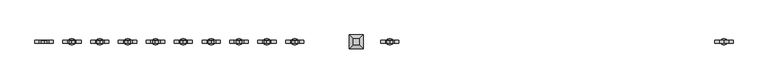
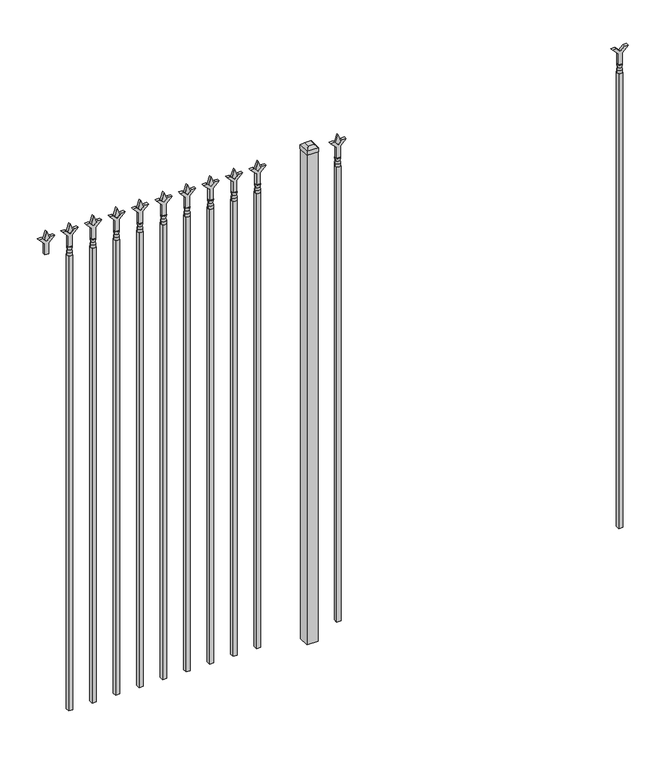
"""IFC4 building model written with IfcOpenShell, lengths in millimetres: railing geometry."""

import ifcopenshell
import ifcopenshell.guid

model = None  # the IFC model being written
_history = None  # IfcOwnerHistory: only IFC2X3 demands one
_inside = {}  # id of a spatial element -> (the spatial element, [elements in it])
_under = {}  # id of a project, library or spatial element -> (it, [spatial elements below it])
_declared = {}  # id of a project -> (the project, [libraries it declares])
_typed = {}  # id of a type object -> (the type object, [elements of that type])
_made_of = {}  # id of a material, layer set ... -> (it, [elements and type objects made of it])


def new_model(schema):
    """Start an empty IFC model of exactly this schema.

    Asked for "IFC4X3", IfcOpenShell would pick the latest addendum, in which some entities
    have other attributes; the version numbers below select the first issue.
    IFC2X3 requires an IfcOwnerHistory on every rooted entity: one is made here for all.
    """
    global model, _history
    if schema == "IFC4X3":
        model = ifcopenshell.file(schema_version=(4, 3, 0, 0))
    else:
        model = ifcopenshell.file(schema=schema)
    _inside.clear()
    _under.clear()
    _declared.clear()
    _typed.clear()
    _made_of.clear()
    _history = None
    if model.schema == "IFC2X3":
        org = make("IfcOrganization", Name="unknown")
        user = make(
            "IfcPersonAndOrganization",
            ThePerson=make("IfcPerson", FamilyName="unknown"),
            TheOrganization=org,
        )
        app = make(
            "IfcApplication",
            ApplicationDeveloper=org,
            Version="unknown",
            ApplicationFullName="unknown",
            ApplicationIdentifier="unknown",
        )
        _history = make(
            "IfcOwnerHistory",
            OwningUser=user,
            OwningApplication=app,
            ChangeAction="ADDED",
            CreationDate=0,
        )
    return model


def make(cls, **values):
    """One entity of the class cls with the attributes given. An attribute that is None is left unset."""
    return model.create_entity(
        cls, **{name: value for name, value in values.items() if value is not None}
    )


def rooted(cls, **values):
    """An entity with a GlobalId (a new one), such as an element, a storey or a relation."""
    return make(cls, GlobalId=ifcopenshell.guid.new(), OwnerHistory=_history, **values)


def si_unit(unit_type, name, prefix=None):
    """IfcSIUnit, for example si_unit("LENGTHUNIT", "METRE", prefix="MILLI")."""
    return make("IfcSIUnit", UnitType=unit_type, Prefix=prefix, Name=name)


def assignment(units):
    """IfcUnitAssignment: the units of a project."""
    return None if units is None else make("IfcUnitAssignment", Units=units)


def point(xyz):
    """IfcCartesianPoint."""
    return None if xyz is None else make("IfcCartesianPoint", Coordinates=xyz)


def direction(xyz):
    """IfcDirection."""
    return None if xyz is None else make("IfcDirection", DirectionRatios=xyz)


def frame(location, z_axis=None, x_axis=None):
    """IfcAxis2Placement3D, a coordinate frame: its origin and axes. An axis left out is left unset."""
    return make(
        "IfcAxis2Placement3D",
        Location=point(location),
        Axis=direction(z_axis),
        RefDirection=direction(x_axis),
    )


def origin():
    """The frame at (0, 0, 0) with its axes left unset."""
    return frame((0.0, 0.0, 0.0))


def origin_with_axes():
    """The frame at (0, 0, 0) with the z axis (0, 0, 1) and the x axis (1, 0, 0) written out."""
    return frame((0.0, 0.0, 0.0), z_axis=(0.0, 0.0, 1.0), x_axis=(1.0, 0.0, 0.0))


def place(relative_to, where):
    """IfcLocalPlacement: puts the frame where relative to a parent placement (None: the world)."""
    return make(
        "IfcLocalPlacement", PlacementRelTo=relative_to, RelativePlacement=where
    )


def context(
    kind, dimensions, precision=None, world=None, true_north=None, identifier=None
):
    """IfcGeometricRepresentationContext, for example the 3D "Model" context."""
    return make(
        "IfcGeometricRepresentationContext",
        ContextIdentifier=identifier,
        ContextType=kind,
        CoordinateSpaceDimension=dimensions,
        Precision=precision,
        WorldCoordinateSystem=world,
        TrueNorth=true_north,
    )


def project(units=None, contexts=None):
    """IfcProject with its units and contexts."""
    return rooted(
        "IfcProject",
        Name="project",
        RepresentationContexts=contexts,
        UnitsInContext=assignment(units),
    )


def spatial(cls, under=None, at=None, **own):
    """A site, building, storey or space (cls), placed at a placement, below another one or the project."""
    s = rooted(cls, ObjectPlacement=at, **own)
    if under is not None:
        _under.setdefault(under.id(), (under, []))[1].append(s)
    return s


def polyline(points):
    """IfcPolyline through the points."""
    return make("IfcPolyline", Points=[point(p) for p in points])


def circle_curve(where, radius):
    """IfcCircle in the frame where."""
    return make("IfcCircle", Position=where, Radius=radius)


def outline(outer, holes=None, kind="AREA"):
    """IfcArbitraryClosedProfileDef: a profile drawn as a closed curve; with holes, ...WithVoids."""
    if holes is None:
        return make("IfcArbitraryClosedProfileDef", ProfileType=kind, OuterCurve=outer)
    return make(
        "IfcArbitraryProfileDefWithVoids",
        ProfileType=kind,
        OuterCurve=outer,
        InnerCurves=holes,
    )


def extrude(swept, where, along, depth):
    """IfcExtrudedAreaSolid: the profile swept, set in the frame where, extruded along a direction by depth."""
    return make(
        "IfcExtrudedAreaSolid",
        SweptArea=swept,
        Position=where,
        ExtrudedDirection=direction(along),
        Depth=depth,
    )


def faces_of(points, faces, orient=None, outer=None):
    """IfcFace entities. A face is a list of loops; a loop is a list of indices into points, from 0.

    orient and outer hold one flag for each loop. By default every Orientation is true, the
    first loop of a face is its IfcFaceOuterBound and the others are IfcFaceBound.
    """
    made = []
    for i, loops in enumerate(faces):
        bounds = []
        for j, loop in enumerate(loops):
            is_outer = j == 0 if outer is None else outer[i][j]
            bounds.append(
                make(
                    "IfcFaceOuterBound" if is_outer else "IfcFaceBound",
                    Bound=make("IfcPolyLoop", Polygon=[points[k] for k in loop]),
                    Orientation=True if orient is None else orient[i][j],
                )
            )
        made.append(make("IfcFace", Bounds=bounds))
    return made


def faceted_brep(points, faces, orient=None, outer=None, voids=None):
    """IfcFacetedBrep: a solid bounded by flat faces; with voids (closed shells), ...WithVoids."""
    shared = [point(p) for p in points]
    hull = make("IfcClosedShell", CfsFaces=faces_of(shared, faces, orient, outer))
    if voids is None:
        return make("IfcFacetedBrep", Outer=hull)
    return make(
        "IfcFacetedBrepWithVoids",
        Outer=hull,
        Voids=[
            make(cls, CfsFaces=faces_of(shared, fs, o, b)) for cls, fs, o, b in voids
        ],
    )


def shape(context_of_items, identifier, shape_type, items):
    """IfcShapeRepresentation: the items that make up one representation, for example the "Body"."""
    return make(
        "IfcShapeRepresentation",
        ContextOfItems=context_of_items,
        RepresentationIdentifier=identifier,
        RepresentationType=shape_type,
        Items=items,
    )


def source(mapping_origin, context_of_items, identifier, shape_type, items):
    """IfcRepresentationMap: a shape defined once, which mapped items show again and again."""
    return make(
        "IfcRepresentationMap",
        MappingOrigin=mapping_origin,
        MappedRepresentation=shape(context_of_items, identifier, shape_type, items),
    )


def transform(
    local_origin,
    x_axis=None,
    y_axis=None,
    z_axis=None,
    scale=None,
    scale2=None,
    scale3=None,
    uniform=True,
):
    """IfcCartesianTransformationOperator3D, or its non-uniform kind. x_axis, y_axis, z_axis: its Axis1, 2, 3."""
    if uniform:
        return make(
            "IfcCartesianTransformationOperator3D",
            Axis1=direction(x_axis),
            Axis2=direction(y_axis),
            LocalOrigin=point(local_origin),
            Scale=scale,
            Axis3=direction(z_axis),
        )
    return make(
        "IfcCartesianTransformationOperator3DnonUniform",
        Axis1=direction(x_axis),
        Axis2=direction(y_axis),
        LocalOrigin=point(local_origin),
        Scale=scale,
        Axis3=direction(z_axis),
        Scale2=scale2,
        Scale3=scale3,
    )


def mapped(mapping_source, mapping_target):
    """IfcMappedItem: shows the shape of a source again, moved by a transform."""
    return make(
        "IfcMappedItem", MappingSource=mapping_source, MappingTarget=mapping_target
    )


def made_of(thing, what):
    """Note that an element or type object is made of a material, layer set ...; save() writes the relation."""
    if what is not None:
        _made_of.setdefault(what.id(), (what, []))[1].append(thing)
    return thing


def element(
    cls,
    number,
    at=None,
    inside=None,
    cuts=None,
    type_object=None,
    material=None,
    context=None,
    identifier="Body",
    shape_type=None,
    held_by="IfcProductDefinitionShape",
    body=None,
    shapes=None,
    **own,
):
    """One element of the class cls, such as IfcWall. Its Tag is "e" and its number.

    at: its placement. inside: the storey or other place that contains it. cuts: it is an
    opening in that element (IfcRelVoidsElement). A single representation is given by context,
    identifier, shape_type and body (its items); several are given by shapes. held_by: the class
    of the entity that holds the representations. save() writes the other relations.
    """
    e = rooted(cls, Tag="e%d" % number, ObjectPlacement=at, **own)
    if body is not None:
        shapes = [shape(context, identifier, shape_type, body)]
    if shapes is not None:
        e.Representation = make(held_by, Representations=shapes)
    if inside is not None:
        _inside.setdefault(inside.id(), (inside, []))[1].append(e)
    if cuts is not None:
        rooted(
            "IfcRelVoidsElement", RelatingBuildingElement=cuts, RelatedOpeningElement=e
        )
    if type_object is not None:
        _typed.setdefault(type_object.id(), (type_object, []))[1].append(e)
    return made_of(e, material)


def aggregate(whole, parts):
    """IfcRelAggregates: a whole, such as a stair, and the parts it consists of."""
    return rooted("IfcRelAggregates", RelatingObject=whole, RelatedObjects=parts)


def save(model, path):
    """Write the relations noted so far, then the file.

    IfcRelAggregates (storeys below a building ...), IfcRelContainedInSpatialStructure (elements
    in a storey), IfcRelDefinesByType, IfcRelAssociatesMaterial and IfcRelDeclares: one each for
    every whole, place, type object, material and project.
    """
    for whole, parts in _under.values():
        aggregate(whole, parts)
    for where, things in _inside.values():
        rooted(
            "IfcRelContainedInSpatialStructure",
            RelatedElements=things,
            RelatingStructure=where,
        )
    for kind, things in _typed.values():
        rooted("IfcRelDefinesByType", RelatedObjects=things, RelatingType=kind)
    for what, things in _made_of.values():
        rooted("IfcRelAssociatesMaterial", RelatedObjects=things, RelatingMaterial=what)
    for by, libraries in _declared.values():
        rooted("IfcRelDeclares", RelatingContext=by, RelatedDefinitions=libraries)
    model.write(path)


def plane_surface(at):
    """IfcPlane: the flat surface through the origin of the frame at, square to its z axis."""
    return make("IfcPlane", Position=at)


def cylinder_surface(at, radius):
    """IfcCylindricalSurface: all points at the distance radius from the z axis of the frame at."""
    return make("IfcCylindricalSurface", Position=at, Radius=radius)


def revolved_surface(curve, axis_point, axis_direction):
    """IfcSurfaceOfRevolution: the curve turned about the line through axis_point along axis_direction."""
    return make(
        "IfcSurfaceOfRevolution",
        SweptCurve=make("IfcArbitraryOpenProfileDef", ProfileType="CURVE", Curve=curve),
        AxisPosition=make("IfcAxis1Placement", Location=point(axis_point), Axis=direction(axis_direction)),
    )


def advanced_brep(points, edges, surfaces, faces):
    """IfcAdvancedBrep: a solid bounded by faces that lie on surfaces and meet in shared edges.

    An edge is (start, end): straight between two places in points (the first is 0);
    or (start, end, curve); or (start, end, curve, False) where it runs against its curve.
    A face is (place in surfaces, loops), or (place, loops, False) where it looks against
    its surface's normal. A loop lists edges by number (the first is 1), with a minus sign
    where the edge is run from its end to its start. The first loop is the outer one.
    """
    corners = [point(p) for p in points]
    vertices = [make("IfcVertexPoint", VertexGeometry=c) for c in corners]
    made = []
    for start, end, *more in edges:
        made.append(
            make(
                "IfcEdgeCurve",
                EdgeStart=vertices[start],
                EdgeEnd=vertices[end],
                EdgeGeometry=more[0] if more else make("IfcPolyline", Points=[corners[start], corners[end]]),
                SameSense=more[1] if len(more) > 1 else True,
            )
        )
    hull = []
    for where, loops, *sense in faces:
        bounds = []
        for j, loop in enumerate(loops):
            ring = [make("IfcOrientedEdge", EdgeElement=made[abs(k) - 1], Orientation=k > 0) for k in loop]
            bounds.append(
                make(
                    "IfcFaceOuterBound" if j == 0 else "IfcFaceBound",
                    Bound=make("IfcEdgeLoop", EdgeList=ring),
                    Orientation=True,
                )
            )
        hull.append(make("IfcAdvancedFace", Bounds=bounds, FaceSurface=surfaces[where], SameSense=sense[0] if sense else True))
    return make("IfcAdvancedBrep", Outer=make("IfcClosedShell", CfsFaces=hull))


def railing_f4282bec(model_context):
    return source(origin(), model_context, "Body", "SolidModel", [
        extrude(outline(polyline([(2327.275, -52222.749337), (2381.5457378, -52222.749337), (2408.7355122, -52195.5595625), (2408.7355122, -52213.5200747), (2390.775, -52231.480587), (2408.7355122, -52249.4410992), (2408.7355122, -52267.4016114), (2381.5457378, -52240.211837), (2327.275, -52240.211837), (2327.275, -52222.749337)])), frame((0.0, -6737.6070174, 0.0), z_axis=(0.0, 1.0, 0.0), x_axis=(0.0, 0.0, 1.0)), (0.0, 0.0, 1.0), 12.7),
        advanced_brep(
        [(-52219.574337, -6731.2570174, 2298.7), (-52243.386837, -6731.2570174, 2298.7), (-52243.386837, -6731.2570174, 2286.0), (-52219.574337, -6731.2570174, 2286.0), (-52221.7796688, -6731.2570174, 2311.2070585), (-52241.1815051, -6731.2570174, 2311.2070585), (-52219.574337, -6731.2570174, 2327.275), (-52243.386837, -6731.2570174, 2327.275), (-52231.480587, -6731.2570174, 2327.275), (-52231.480587, -6731.2570174, 2286.0)],
        [
            (0, 1, circle_curve(frame((-52231.480587, -6731.2570174, 2298.7), z_axis=(0.0, 0.0, -1.0), x_axis=(-1.0, 0.0, 0.0)), 11.90625)),
            (1, 2),
            (2, 3, circle_curve(frame((-52231.480587, -6731.2570174, 2286.0), z_axis=(0.0, 0.0, 1.0), x_axis=(-1.0, 0.0, 0.0)), 11.90625)),
            (3, 0),
            (1, 0, circle_curve(frame((-52231.480587, -6731.2570174, 2298.7), z_axis=(0.0, 0.0, -1.0), x_axis=(-1.0, 0.0, 0.0)), 11.90625)),
            (3, 2, circle_curve(frame((-52231.480587, -6731.2570174, 2286.0), z_axis=(0.0, 0.0, 1.0), x_axis=(-1.0, 0.0, 0.0)), 11.90625)),
            (4, 5, circle_curve(frame((-52231.480587, -6731.2570174, 2311.2070585), z_axis=(0.0, 0.0, -1.0), x_axis=(-1.0, 0.0, 0.0)), 9.7009181)),
            (5, 1),
            (0, 4),
            (5, 4, circle_curve(frame((-52231.480587, -6731.2570174, 2311.2070585), z_axis=(0.0, 0.0, -1.0), x_axis=(-1.0, 0.0, 0.0)), 9.7009181)),
            (6, 7, circle_curve(frame((-52231.480587, -6731.2570174, 2327.275), z_axis=(0.0, 0.0, -1.0), x_axis=(-1.0, 0.0, 0.0)), 11.90625)),
            (7, 5),
            (4, 6),
            (7, 6, circle_curve(frame((-52231.480587, -6731.2570174, 2327.275), z_axis=(0.0, 0.0, -1.0), x_axis=(-1.0, 0.0, 0.0)), 11.90625)),
            (8, 7),
            (6, 8),
            (2, 9),
            (9, 3),
        ],
        [
            cylinder_surface(frame((-52231.480587, -6731.2570174, 2286.0), z_axis=(0.0, 0.0, 1.0), x_axis=(-1.0, 0.0, 0.0)), 11.90625),
            revolved_surface(polyline([(-52243.386837, -6731.2570174, 2298.7), (-52241.1815051, -6731.2570174, 2311.2070585)]), (-52231.480587, -6731.2570174, 2286.0), (0.0, 0.0, 1.0)),
            revolved_surface(polyline([(-52241.1815051, -6731.2570174, 2311.2070585), (-52243.386837, -6731.2570174, 2327.275)]), (-52231.480587, -6731.2570174, 2286.0), (0.0, 0.0, 1.0)),
            plane_surface(frame((-52231.480587, -6731.2570174, 2327.275), z_axis=(0.0, 0.0, 1.0), x_axis=(-1.0, 0.0, 0.0))),
            plane_surface(frame((-52231.480587, -6731.2570174, 2286.0), z_axis=(0.0, 0.0, -1.0), x_axis=(-1.0, 0.0, 0.0))),
        ],
        [
            (0, [[1, 2, 3, 4]]),
            (0, [[5, -4, 6, -2]]),
            (1, [[7, 8, -1, 9]]),
            (1, [[10, -9, -5, -8]]),
            (2, [[11, 12, -7, 13]]),
            (2, [[14, -13, -10, -12]]),
            (3, [[15, -11, 16]]),
            (3, [[-16, -14, -15]]),
            (4, [[-3, 17, 18]]),
            (4, [[-6, -18, -17]]),
        ],
    ),
        extrude(outline(polyline([(-52241.005587, -6721.7320174), (-52221.955587, -6721.7320174), (-52221.955587, -6740.7820174), (-52241.005587, -6740.7820174), (-52241.005587, -6721.7320174)])), frame((0.0, 0.0, 50.8), z_axis=(0.0, 0.0, 1.0), x_axis=(1.0, 0.0, 0.0)), (0.0, 0.0, 1.0), 2235.2),
        extrude(outline(polyline([(2402.68125, -53530.849337), (2438.4, -53542.755587), (2402.68125, -53554.661837), (2390.775, -53542.755587), (2402.68125, -53530.849337)])), frame((0.0, -6736.0195174, 0.0), z_axis=(0.0, 1.0, 0.0), x_axis=(0.0, 0.0, 1.0)), (0.0, 0.0, 1.0), 9.525),
        extrude(outline(polyline([(2327.275, -53534.024337), (2381.5457378, -53534.024337), (2408.7355122, -53506.8345625), (2408.7355122, -53524.7950747), (2390.775, -53542.755587), (2408.7355122, -53560.7160992), (2408.7355122, -53578.6766114), (2381.5457378, -53551.486837), (2327.275, -53551.486837), (2327.275, -53534.024337)])), frame((0.0, -6737.6070174, 0.0), z_axis=(0.0, 1.0, 0.0), x_axis=(0.0, 0.0, 1.0)), (0.0, 0.0, 1.0), 12.7),
        advanced_brep(
        [(-53530.849337, -6731.2570174, 2298.7), (-53554.661837, -6731.2570174, 2298.7), (-53554.661837, -6731.2570174, 2286.0), (-53530.849337, -6731.2570174, 2286.0), (-53533.0546688, -6731.2570174, 2311.2070585), (-53552.4565051, -6731.2570174, 2311.2070585), (-53530.849337, -6731.2570174, 2327.275), (-53554.661837, -6731.2570174, 2327.275), (-53542.755587, -6731.2570174, 2327.275), (-53542.755587, -6731.2570174, 2286.0)],
        [
            (0, 1, circle_curve(frame((-53542.755587, -6731.2570174, 2298.7), z_axis=(0.0, 0.0, -1.0), x_axis=(-1.0, 0.0, 0.0)), 11.90625)),
            (1, 2),
            (2, 3, circle_curve(frame((-53542.755587, -6731.2570174, 2286.0), z_axis=(0.0, 0.0, 1.0), x_axis=(-1.0, 0.0, 0.0)), 11.90625)),
            (3, 0),
            (1, 0, circle_curve(frame((-53542.755587, -6731.2570174, 2298.7), z_axis=(0.0, 0.0, -1.0), x_axis=(-1.0, 0.0, 0.0)), 11.90625)),
            (3, 2, circle_curve(frame((-53542.755587, -6731.2570174, 2286.0), z_axis=(0.0, 0.0, 1.0), x_axis=(-1.0, 0.0, 0.0)), 11.90625)),
            (4, 5, circle_curve(frame((-53542.755587, -6731.2570174, 2311.2070585), z_axis=(0.0, 0.0, -1.0), x_axis=(-1.0, 0.0, 0.0)), 9.7009181)),
            (5, 1),
            (0, 4),
            (5, 4, circle_curve(frame((-53542.755587, -6731.2570174, 2311.2070585), z_axis=(0.0, 0.0, -1.0), x_axis=(-1.0, 0.0, 0.0)), 9.7009181)),
            (6, 7, circle_curve(frame((-53542.755587, -6731.2570174, 2327.275), z_axis=(0.0, 0.0, -1.0), x_axis=(-1.0, 0.0, 0.0)), 11.90625)),
            (7, 5),
            (4, 6),
            (7, 6, circle_curve(frame((-53542.755587, -6731.2570174, 2327.275), z_axis=(0.0, 0.0, -1.0), x_axis=(-1.0, 0.0, 0.0)), 11.90625)),
            (8, 7),
            (6, 8),
            (2, 9),
            (9, 3),
        ],
        [
            cylinder_surface(frame((-53542.755587, -6731.2570174, 2286.0), z_axis=(0.0, 0.0, 1.0), x_axis=(-1.0, 0.0, 0.0)), 11.90625),
            revolved_surface(polyline([(-53554.661837, -6731.2570174, 2298.7), (-53552.4565051, -6731.2570174, 2311.2070585)]), (-53542.755587, -6731.2570174, 2286.0), (0.0, 0.0, 1.0)),
            revolved_surface(polyline([(-53552.4565051, -6731.2570174, 2311.2070585), (-53554.661837, -6731.2570174, 2327.275)]), (-53542.755587, -6731.2570174, 2286.0), (0.0, 0.0, 1.0)),
            plane_surface(frame((-53542.755587, -6731.2570174, 2327.275), z_axis=(0.0, 0.0, 1.0), x_axis=(-1.0, 0.0, 0.0))),
            plane_surface(frame((-53542.755587, -6731.2570174, 2286.0), z_axis=(0.0, 0.0, -1.0), x_axis=(-1.0, 0.0, 0.0))),
        ],
        [
            (0, [[1, 2, 3, 4]]),
            (0, [[5, -4, 6, -2]]),
            (1, [[7, 8, -1, 9]]),
            (1, [[10, -9, -5, -8]]),
            (2, [[11, 12, -7, 13]]),
            (2, [[14, -13, -10, -12]]),
            (3, [[15, -11, 16]]),
            (3, [[-16, -14, -15]]),
            (4, [[-3, 17, 18]]),
            (4, [[-6, -18, -17]]),
        ],
    ),
        extrude(outline(polyline([(-53552.280587, -6721.7320174), (-53533.230587, -6721.7320174), (-53533.230587, -6740.7820174), (-53552.280587, -6740.7820174), (-53552.280587, -6721.7320174)])), frame((0.0, 0.0, 50.8), z_axis=(0.0, 0.0, 1.0), x_axis=(1.0, 0.0, 0.0)), (0.0, 0.0, 1.0), 2235.2),
        extrude(outline(polyline([(-53649.118087, -6705.8570174), (-53649.118087, -6756.6570174), (-53699.918087, -6756.6570174), (-53699.918087, -6705.8570174), (-53649.118087, -6705.8570174)])), origin_with_axes(), (0.0, 0.0, 1.0), 2406.65),
        faceted_brep([(-53701.505587, -6704.2695174, 2425.7), (-53701.505587, -6704.2695174, 2406.65), (-53701.505587, -6758.2445174, 2406.65), (-53701.505587, -6758.2445174, 2425.7), (-53688.805587, -6716.9695174, 2438.4), (-53688.805587, -6745.5445174, 2438.4), (-53647.530587, -6758.2445174, 2406.65), (-53647.530587, -6758.2445174, 2425.7), (-53660.230587, -6745.5445174, 2438.4), (-53647.530587, -6704.2695174, 2406.65), (-53647.530587, -6704.2695174, 2425.7), (-53660.230587, -6716.9695174, 2438.4)], [[[0, 1, 2, 3]], [[4, 0, 3, 5]], [[3, 2, 6, 7]], [[5, 3, 7, 8]], [[7, 6, 9, 10]], [[8, 7, 10, 11]], [[10, 9, 1, 0]], [[11, 10, 0, 4]], [[5, 8, 11, 4]], [[1, 9, 6, 2]]]),
        extrude(outline(polyline([(2402.68125, -53903.6472536), (2438.4, -53915.5535036), (2402.68125, -53927.4597536), (2390.775, -53915.5535036), (2402.68125, -53903.6472536)])), frame((0.0, -6736.0195174, 0.0), z_axis=(0.0, 1.0, 0.0), x_axis=(0.0, 0.0, 1.0)), (0.0, 0.0, 1.0), 9.525),
        extrude(outline(polyline([(2327.275, -53906.8222536), (2381.5457378, -53906.8222536), (2408.7355122, -53879.6324791), (2408.7355122, -53897.5929914), (2390.775, -53915.5535036), (2408.7355122, -53933.5140159), (2408.7355122, -53951.4745281), (2381.5457378, -53924.2847536), (2327.275, -53924.2847536), (2327.275, -53906.8222536)])), frame((0.0, -6737.6070174, 0.0), z_axis=(0.0, 1.0, 0.0), x_axis=(0.0, 0.0, 1.0)), (0.0, 0.0, 1.0), 12.7),
        advanced_brep(
        [(-53903.6472536, -6731.2570174, 2298.7), (-53927.4597536, -6731.2570174, 2298.7), (-53927.4597536, -6731.2570174, 2286.0), (-53903.6472536, -6731.2570174, 2286.0), (-53905.8525855, -6731.2570174, 2311.2070585), (-53925.2544218, -6731.2570174, 2311.2070585), (-53903.6472536, -6731.2570174, 2327.275), (-53927.4597536, -6731.2570174, 2327.275), (-53915.5535036, -6731.2570174, 2327.275), (-53915.5535036, -6731.2570174, 2286.0)],
        [
            (0, 1, circle_curve(frame((-53915.5535036, -6731.2570174, 2298.7), z_axis=(0.0, 0.0, -1.0), x_axis=(-1.0, 0.0, 0.0)), 11.90625)),
            (1, 2),
            (2, 3, circle_curve(frame((-53915.5535036, -6731.2570174, 2286.0), z_axis=(0.0, 0.0, 1.0), x_axis=(-1.0, 0.0, 0.0)), 11.90625)),
            (3, 0),
            (1, 0, circle_curve(frame((-53915.5535036, -6731.2570174, 2298.7), z_axis=(0.0, 0.0, -1.0), x_axis=(-1.0, 0.0, 0.0)), 11.90625)),
            (3, 2, circle_curve(frame((-53915.5535036, -6731.2570174, 2286.0), z_axis=(0.0, 0.0, 1.0), x_axis=(-1.0, 0.0, 0.0)), 11.90625)),
            (4, 5, circle_curve(frame((-53915.5535036, -6731.2570174, 2311.2070585), z_axis=(0.0, 0.0, -1.0), x_axis=(-1.0, 0.0, 0.0)), 9.7009181)),
            (5, 1),
            (0, 4),
            (5, 4, circle_curve(frame((-53915.5535036, -6731.2570174, 2311.2070585), z_axis=(0.0, 0.0, -1.0), x_axis=(-1.0, 0.0, 0.0)), 9.7009181)),
            (6, 7, circle_curve(frame((-53915.5535036, -6731.2570174, 2327.275), z_axis=(0.0, 0.0, -1.0), x_axis=(-1.0, 0.0, 0.0)), 11.90625)),
            (7, 5),
            (4, 6),
            (7, 6, circle_curve(frame((-53915.5535036, -6731.2570174, 2327.275), z_axis=(0.0, 0.0, -1.0), x_axis=(-1.0, 0.0, 0.0)), 11.90625)),
            (8, 7),
            (6, 8),
            (2, 9),
            (9, 3),
        ],
        [
            cylinder_surface(frame((-53915.5535036, -6731.2570174, 2286.0), z_axis=(0.0, 0.0, 1.0), x_axis=(-1.0, 0.0, 0.0)), 11.90625),
            revolved_surface(polyline([(-53927.4597536, -6731.2570174, 2298.7), (-53925.2544218, -6731.2570174, 2311.2070585)]), (-53915.5535036, -6731.2570174, 2286.0), (0.0, 0.0, 1.0)),
            revolved_surface(polyline([(-53925.2544218, -6731.2570174, 2311.2070585), (-53927.4597536, -6731.2570174, 2327.275)]), (-53915.5535036, -6731.2570174, 2286.0), (0.0, 0.0, 1.0)),
            plane_surface(frame((-53915.5535036, -6731.2570174, 2327.275), z_axis=(0.0, 0.0, 1.0), x_axis=(-1.0, 0.0, 0.0))),
            plane_surface(frame((-53915.5535036, -6731.2570174, 2286.0), z_axis=(0.0, 0.0, -1.0), x_axis=(-1.0, 0.0, 0.0))),
        ],
        [
            (0, [[1, 2, 3, 4]]),
            (0, [[5, -4, 6, -2]]),
            (1, [[7, 8, -1, 9]]),
            (1, [[10, -9, -5, -8]]),
            (2, [[11, 12, -7, 13]]),
            (2, [[14, -13, -10, -12]]),
            (3, [[15, -11, 16]]),
            (3, [[-16, -14, -15]]),
            (4, [[-3, 17, 18]]),
            (4, [[-6, -18, -17]]),
        ],
    ),
        extrude(outline(polyline([(-53925.0785036, -6721.7320174), (-53906.0285036, -6721.7320174), (-53906.0285036, -6740.7820174), (-53925.0785036, -6740.7820174), (-53925.0785036, -6721.7320174)])), frame((0.0, 0.0, 50.8), z_axis=(0.0, 0.0, 1.0), x_axis=(1.0, 0.0, 0.0)), (0.0, 0.0, 1.0), 2235.2),
        extrude(outline(polyline([(2402.68125, -54012.9201703), (2438.4, -54024.8264203), (2402.68125, -54036.7326703), (2390.775, -54024.8264203), (2402.68125, -54012.9201703)])), frame((0.0, -6736.0195174, 0.0), z_axis=(0.0, 1.0, 0.0), x_axis=(0.0, 0.0, 1.0)), (0.0, 0.0, 1.0), 9.525),
        extrude(outline(polyline([(2327.275, -54016.0951703), (2381.5457378, -54016.0951703), (2408.7355122, -53988.9053958), (2408.7355122, -54006.8659081), (2390.775, -54024.8264203), (2408.7355122, -54042.7869325), (2408.7355122, -54060.7474448), (2381.5457378, -54033.5576703), (2327.275, -54033.5576703), (2327.275, -54016.0951703)])), frame((0.0, -6737.6070174, 0.0), z_axis=(0.0, 1.0, 0.0), x_axis=(0.0, 0.0, 1.0)), (0.0, 0.0, 1.0), 12.7),
        advanced_brep(
        [(-54012.9201703, -6731.2570174, 2298.7), (-54036.7326703, -6731.2570174, 2298.7), (-54036.7326703, -6731.2570174, 2286.0), (-54012.9201703, -6731.2570174, 2286.0), (-54015.1255022, -6731.2570174, 2311.2070585), (-54034.5273384, -6731.2570174, 2311.2070585), (-54012.9201703, -6731.2570174, 2327.275), (-54036.7326703, -6731.2570174, 2327.275), (-54024.8264203, -6731.2570174, 2327.275), (-54024.8264203, -6731.2570174, 2286.0)],
        [
            (0, 1, circle_curve(frame((-54024.8264203, -6731.2570174, 2298.7), z_axis=(0.0, 0.0, -1.0), x_axis=(-1.0, 0.0, 0.0)), 11.90625)),
            (1, 2),
            (2, 3, circle_curve(frame((-54024.8264203, -6731.2570174, 2286.0), z_axis=(0.0, 0.0, 1.0), x_axis=(-1.0, 0.0, 0.0)), 11.90625)),
            (3, 0),
            (1, 0, circle_curve(frame((-54024.8264203, -6731.2570174, 2298.7), z_axis=(0.0, 0.0, -1.0), x_axis=(-1.0, 0.0, 0.0)), 11.90625)),
            (3, 2, circle_curve(frame((-54024.8264203, -6731.2570174, 2286.0), z_axis=(0.0, 0.0, 1.0), x_axis=(-1.0, 0.0, 0.0)), 11.90625)),
            (4, 5, circle_curve(frame((-54024.8264203, -6731.2570174, 2311.2070585), z_axis=(0.0, 0.0, -1.0), x_axis=(-1.0, 0.0, 0.0)), 9.7009181)),
            (5, 1),
            (0, 4),
            (5, 4, circle_curve(frame((-54024.8264203, -6731.2570174, 2311.2070585), z_axis=(0.0, 0.0, -1.0), x_axis=(-1.0, 0.0, 0.0)), 9.7009181)),
            (6, 7, circle_curve(frame((-54024.8264203, -6731.2570174, 2327.275), z_axis=(0.0, 0.0, -1.0), x_axis=(-1.0, 0.0, 0.0)), 11.90625)),
            (7, 5),
            (4, 6),
            (7, 6, circle_curve(frame((-54024.8264203, -6731.2570174, 2327.275), z_axis=(0.0, 0.0, -1.0), x_axis=(-1.0, 0.0, 0.0)), 11.90625)),
            (8, 7),
            (6, 8),
            (2, 9),
            (9, 3),
        ],
        [
            cylinder_surface(frame((-54024.8264203, -6731.2570174, 2286.0), z_axis=(0.0, 0.0, 1.0), x_axis=(-1.0, 0.0, 0.0)), 11.90625),
            revolved_surface(polyline([(-54036.7326703, -6731.2570174, 2298.7), (-54034.5273384, -6731.2570174, 2311.2070585)]), (-54024.8264203, -6731.2570174, 2286.0), (0.0, 0.0, 1.0)),
            revolved_surface(polyline([(-54034.5273384, -6731.2570174, 2311.2070585), (-54036.7326703, -6731.2570174, 2327.275)]), (-54024.8264203, -6731.2570174, 2286.0), (0.0, 0.0, 1.0)),
            plane_surface(frame((-54024.8264203, -6731.2570174, 2327.275), z_axis=(0.0, 0.0, 1.0), x_axis=(-1.0, 0.0, 0.0))),
            plane_surface(frame((-54024.8264203, -6731.2570174, 2286.0), z_axis=(0.0, 0.0, -1.0), x_axis=(-1.0, 0.0, 0.0))),
        ],
        [
            (0, [[1, 2, 3, 4]]),
            (0, [[5, -4, 6, -2]]),
            (1, [[7, 8, -1, 9]]),
            (1, [[10, -9, -5, -8]]),
            (2, [[11, 12, -7, 13]]),
            (2, [[14, -13, -10, -12]]),
            (3, [[15, -11, 16]]),
            (3, [[-16, -14, -15]]),
            (4, [[-3, 17, 18]]),
            (4, [[-6, -18, -17]]),
        ],
    ),
        extrude(outline(polyline([(-54034.3514203, -6721.7320174), (-54015.3014203, -6721.7320174), (-54015.3014203, -6740.7820174), (-54034.3514203, -6740.7820174), (-54034.3514203, -6721.7320174)])), frame((0.0, 0.0, 50.8), z_axis=(0.0, 0.0, 1.0), x_axis=(1.0, 0.0, 0.0)), (0.0, 0.0, 1.0), 2235.2),
        extrude(outline(polyline([(2402.68125, -54122.193087), (2438.4, -54134.099337), (2402.68125, -54146.005587), (2390.775, -54134.099337), (2402.68125, -54122.193087)])), frame((0.0, -6736.0195174, 0.0), z_axis=(0.0, 1.0, 0.0), x_axis=(0.0, 0.0, 1.0)), (0.0, 0.0, 1.0), 9.525),
        extrude(outline(polyline([(2327.275, -54125.368087), (2381.5457378, -54125.368087), (2408.7355122, -54098.1783125), (2408.7355122, -54116.1388247), (2390.775, -54134.099337), (2408.7355122, -54152.0598492), (2408.7355122, -54170.0203614), (2381.5457378, -54142.830587), (2327.275, -54142.830587), (2327.275, -54125.368087)])), frame((0.0, -6737.6070174, 0.0), z_axis=(0.0, 1.0, 0.0), x_axis=(0.0, 0.0, 1.0)), (0.0, 0.0, 1.0), 12.7),
        advanced_brep(
        [(-54122.193087, -6731.2570174, 2298.7), (-54146.005587, -6731.2570174, 2298.7), (-54146.005587, -6731.2570174, 2286.0), (-54122.193087, -6731.2570174, 2286.0), (-54124.3984188, -6731.2570174, 2311.2070585), (-54143.8002551, -6731.2570174, 2311.2070585), (-54122.193087, -6731.2570174, 2327.275), (-54146.005587, -6731.2570174, 2327.275), (-54134.099337, -6731.2570174, 2327.275), (-54134.099337, -6731.2570174, 2286.0)],
        [
            (0, 1, circle_curve(frame((-54134.099337, -6731.2570174, 2298.7), z_axis=(0.0, 0.0, -1.0), x_axis=(-1.0, 0.0, 0.0)), 11.90625)),
            (1, 2),
            (2, 3, circle_curve(frame((-54134.099337, -6731.2570174, 2286.0), z_axis=(0.0, 0.0, 1.0), x_axis=(-1.0, 0.0, 0.0)), 11.90625)),
            (3, 0),
            (1, 0, circle_curve(frame((-54134.099337, -6731.2570174, 2298.7), z_axis=(0.0, 0.0, -1.0), x_axis=(-1.0, 0.0, 0.0)), 11.90625)),
            (3, 2, circle_curve(frame((-54134.099337, -6731.2570174, 2286.0), z_axis=(0.0, 0.0, 1.0), x_axis=(-1.0, 0.0, 0.0)), 11.90625)),
            (4, 5, circle_curve(frame((-54134.099337, -6731.2570174, 2311.2070585), z_axis=(0.0, 0.0, -1.0), x_axis=(-1.0, 0.0, 0.0)), 9.7009181)),
            (5, 1),
            (0, 4),
            (5, 4, circle_curve(frame((-54134.099337, -6731.2570174, 2311.2070585), z_axis=(0.0, 0.0, -1.0), x_axis=(-1.0, 0.0, 0.0)), 9.7009181)),
            (6, 7, circle_curve(frame((-54134.099337, -6731.2570174, 2327.275), z_axis=(0.0, 0.0, -1.0), x_axis=(-1.0, 0.0, 0.0)), 11.90625)),
            (7, 5),
            (4, 6),
            (7, 6, circle_curve(frame((-54134.099337, -6731.2570174, 2327.275), z_axis=(0.0, 0.0, -1.0), x_axis=(-1.0, 0.0, 0.0)), 11.90625)),
            (8, 7),
            (6, 8),
            (2, 9),
            (9, 3),
        ],
        [
            cylinder_surface(frame((-54134.099337, -6731.2570174, 2286.0), z_axis=(0.0, 0.0, 1.0), x_axis=(-1.0, 0.0, 0.0)), 11.90625),
            revolved_surface(polyline([(-54146.005587, -6731.2570174, 2298.7), (-54143.8002551, -6731.2570174, 2311.2070585)]), (-54134.099337, -6731.2570174, 2286.0), (0.0, 0.0, 1.0)),
            revolved_surface(polyline([(-54143.8002551, -6731.2570174, 2311.2070585), (-54146.005587, -6731.2570174, 2327.275)]), (-54134.099337, -6731.2570174, 2286.0), (0.0, 0.0, 1.0)),
            plane_surface(frame((-54134.099337, -6731.2570174, 2327.275), z_axis=(0.0, 0.0, 1.0), x_axis=(-1.0, 0.0, 0.0))),
            plane_surface(frame((-54134.099337, -6731.2570174, 2286.0), z_axis=(0.0, 0.0, -1.0), x_axis=(-1.0, 0.0, 0.0))),
        ],
        [
            (0, [[1, 2, 3, 4]]),
            (0, [[5, -4, 6, -2]]),
            (1, [[7, 8, -1, 9]]),
            (1, [[10, -9, -5, -8]]),
            (2, [[11, 12, -7, 13]]),
            (2, [[14, -13, -10, -12]]),
            (3, [[15, -11, 16]]),
            (3, [[-16, -14, -15]]),
            (4, [[-3, 17, 18]]),
            (4, [[-6, -18, -17]]),
        ],
    ),
        extrude(outline(polyline([(-54143.624337, -6721.7320174), (-54124.574337, -6721.7320174), (-54124.574337, -6740.7820174), (-54143.624337, -6740.7820174), (-54143.624337, -6721.7320174)])), frame((0.0, 0.0, 50.8), z_axis=(0.0, 0.0, 1.0), x_axis=(1.0, 0.0, 0.0)), (0.0, 0.0, 1.0), 2235.2),
        extrude(outline(polyline([(2402.68125, -54231.4660036), (2438.4, -54243.3722536), (2402.68125, -54255.2785036), (2390.775, -54243.3722536), (2402.68125, -54231.4660036)])), frame((0.0, -6736.0195174, 0.0), z_axis=(0.0, 1.0, 0.0), x_axis=(0.0, 0.0, 1.0)), (0.0, 0.0, 1.0), 9.525),
        extrude(outline(polyline([(2327.275, -54234.6410036), (2381.5457378, -54234.6410036), (2408.7355122, -54207.4512291), (2408.7355122, -54225.4117414), (2390.775, -54243.3722536), (2408.7355122, -54261.3327659), (2408.7355122, -54279.2932781), (2381.5457378, -54252.1035036), (2327.275, -54252.1035036), (2327.275, -54234.6410036)])), frame((0.0, -6737.6070174, 0.0), z_axis=(0.0, 1.0, 0.0), x_axis=(0.0, 0.0, 1.0)), (0.0, 0.0, 1.0), 12.7),
        advanced_brep(
        [(-54231.4660036, -6731.2570174, 2298.7), (-54255.2785036, -6731.2570174, 2298.7), (-54255.2785036, -6731.2570174, 2286.0), (-54231.4660036, -6731.2570174, 2286.0), (-54233.6713355, -6731.2570174, 2311.2070585), (-54253.0731718, -6731.2570174, 2311.2070585), (-54231.4660036, -6731.2570174, 2327.275), (-54255.2785036, -6731.2570174, 2327.275), (-54243.3722536, -6731.2570174, 2327.275), (-54243.3722536, -6731.2570174, 2286.0)],
        [
            (0, 1, circle_curve(frame((-54243.3722536, -6731.2570174, 2298.7), z_axis=(0.0, 0.0, -1.0), x_axis=(-1.0, 0.0, 0.0)), 11.90625)),
            (1, 2),
            (2, 3, circle_curve(frame((-54243.3722536, -6731.2570174, 2286.0), z_axis=(0.0, 0.0, 1.0), x_axis=(-1.0, 0.0, 0.0)), 11.90625)),
            (3, 0),
            (1, 0, circle_curve(frame((-54243.3722536, -6731.2570174, 2298.7), z_axis=(0.0, 0.0, -1.0), x_axis=(-1.0, 0.0, 0.0)), 11.90625)),
            (3, 2, circle_curve(frame((-54243.3722536, -6731.2570174, 2286.0), z_axis=(0.0, 0.0, 1.0), x_axis=(-1.0, 0.0, 0.0)), 11.90625)),
            (4, 5, circle_curve(frame((-54243.3722536, -6731.2570174, 2311.2070585), z_axis=(0.0, 0.0, -1.0), x_axis=(-1.0, 0.0, 0.0)), 9.7009181)),
            (5, 1),
            (0, 4),
            (5, 4, circle_curve(frame((-54243.3722536, -6731.2570174, 2311.2070585), z_axis=(0.0, 0.0, -1.0), x_axis=(-1.0, 0.0, 0.0)), 9.7009181)),
            (6, 7, circle_curve(frame((-54243.3722536, -6731.2570174, 2327.275), z_axis=(0.0, 0.0, -1.0), x_axis=(-1.0, 0.0, 0.0)), 11.90625)),
            (7, 5),
            (4, 6),
            (7, 6, circle_curve(frame((-54243.3722536, -6731.2570174, 2327.275), z_axis=(0.0, 0.0, -1.0), x_axis=(-1.0, 0.0, 0.0)), 11.90625)),
            (8, 7),
            (6, 8),
            (2, 9),
            (9, 3),
        ],
        [
            cylinder_surface(frame((-54243.3722536, -6731.2570174, 2286.0), z_axis=(0.0, 0.0, 1.0), x_axis=(-1.0, 0.0, 0.0)), 11.90625),
            revolved_surface(polyline([(-54255.2785036, -6731.2570174, 2298.7), (-54253.0731718, -6731.2570174, 2311.2070585)]), (-54243.3722536, -6731.2570174, 2286.0), (0.0, 0.0, 1.0)),
            revolved_surface(polyline([(-54253.0731718, -6731.2570174, 2311.2070585), (-54255.2785036, -6731.2570174, 2327.275)]), (-54243.3722536, -6731.2570174, 2286.0), (0.0, 0.0, 1.0)),
            plane_surface(frame((-54243.3722536, -6731.2570174, 2327.275), z_axis=(0.0, 0.0, 1.0), x_axis=(-1.0, 0.0, 0.0))),
            plane_surface(frame((-54243.3722536, -6731.2570174, 2286.0), z_axis=(0.0, 0.0, -1.0), x_axis=(-1.0, 0.0, 0.0))),
        ],
        [
            (0, [[1, 2, 3, 4]]),
            (0, [[5, -4, 6, -2]]),
            (1, [[7, 8, -1, 9]]),
            (1, [[10, -9, -5, -8]]),
            (2, [[11, 12, -7, 13]]),
            (2, [[14, -13, -10, -12]]),
            (3, [[15, -11, 16]]),
            (3, [[-16, -14, -15]]),
            (4, [[-3, 17, 18]]),
            (4, [[-6, -18, -17]]),
        ],
    ),
        extrude(outline(polyline([(-54252.8972536, -6721.7320174), (-54233.8472536, -6721.7320174), (-54233.8472536, -6740.7820174), (-54252.8972536, -6740.7820174), (-54252.8972536, -6721.7320174)])), frame((0.0, 0.0, 50.8), z_axis=(0.0, 0.0, 1.0), x_axis=(1.0, 0.0, 0.0)), (0.0, 0.0, 1.0), 2235.2),
        extrude(outline(polyline([(2402.68125, -54340.7389203), (2438.4, -54352.6451703), (2402.68125, -54364.5514203), (2390.775, -54352.6451703), (2402.68125, -54340.7389203)])), frame((0.0, -6736.0195174, 0.0), z_axis=(0.0, 1.0, 0.0), x_axis=(0.0, 0.0, 1.0)), (0.0, 0.0, 1.0), 9.525),
        extrude(outline(polyline([(2327.275, -54343.9139203), (2381.5457378, -54343.9139203), (2408.7355122, -54316.7241458), (2408.7355122, -54334.6846581), (2390.775, -54352.6451703), (2408.7355122, -54370.6056825), (2408.7355122, -54388.5661948), (2381.5457378, -54361.3764203), (2327.275, -54361.3764203), (2327.275, -54343.9139203)])), frame((0.0, -6737.6070174, 0.0), z_axis=(0.0, 1.0, 0.0), x_axis=(0.0, 0.0, 1.0)), (0.0, 0.0, 1.0), 12.7),
        advanced_brep(
        [(-54340.7389203, -6731.2570174, 2298.7), (-54364.5514203, -6731.2570174, 2298.7), (-54364.5514203, -6731.2570174, 2286.0), (-54340.7389203, -6731.2570174, 2286.0), (-54342.9442522, -6731.2570174, 2311.2070585), (-54362.3460884, -6731.2570174, 2311.2070585), (-54340.7389203, -6731.2570174, 2327.275), (-54364.5514203, -6731.2570174, 2327.275), (-54352.6451703, -6731.2570174, 2327.275), (-54352.6451703, -6731.2570174, 2286.0)],
        [
            (0, 1, circle_curve(frame((-54352.6451703, -6731.2570174, 2298.7), z_axis=(0.0, 0.0, -1.0), x_axis=(-1.0, 0.0, 0.0)), 11.90625)),
            (1, 2),
            (2, 3, circle_curve(frame((-54352.6451703, -6731.2570174, 2286.0), z_axis=(0.0, 0.0, 1.0), x_axis=(-1.0, 0.0, 0.0)), 11.90625)),
            (3, 0),
            (1, 0, circle_curve(frame((-54352.6451703, -6731.2570174, 2298.7), z_axis=(0.0, 0.0, -1.0), x_axis=(-1.0, 0.0, 0.0)), 11.90625)),
            (3, 2, circle_curve(frame((-54352.6451703, -6731.2570174, 2286.0), z_axis=(0.0, 0.0, 1.0), x_axis=(-1.0, 0.0, 0.0)), 11.90625)),
            (4, 5, circle_curve(frame((-54352.6451703, -6731.2570174, 2311.2070585), z_axis=(0.0, 0.0, -1.0), x_axis=(-1.0, 0.0, 0.0)), 9.7009181)),
            (5, 1),
            (0, 4),
            (5, 4, circle_curve(frame((-54352.6451703, -6731.2570174, 2311.2070585), z_axis=(0.0, 0.0, -1.0), x_axis=(-1.0, 0.0, 0.0)), 9.7009181)),
            (6, 7, circle_curve(frame((-54352.6451703, -6731.2570174, 2327.275), z_axis=(0.0, 0.0, -1.0), x_axis=(-1.0, 0.0, 0.0)), 11.90625)),
            (7, 5),
            (4, 6),
            (7, 6, circle_curve(frame((-54352.6451703, -6731.2570174, 2327.275), z_axis=(0.0, 0.0, -1.0), x_axis=(-1.0, 0.0, 0.0)), 11.90625)),
            (8, 7),
            (6, 8),
            (2, 9),
            (9, 3),
        ],
        [
            cylinder_surface(frame((-54352.6451703, -6731.2570174, 2286.0), z_axis=(0.0, 0.0, 1.0), x_axis=(-1.0, 0.0, 0.0)), 11.90625),
            revolved_surface(polyline([(-54364.5514203, -6731.2570174, 2298.7), (-54362.3460884, -6731.2570174, 2311.2070585)]), (-54352.6451703, -6731.2570174, 2286.0), (0.0, 0.0, 1.0)),
            revolved_surface(polyline([(-54362.3460884, -6731.2570174, 2311.2070585), (-54364.5514203, -6731.2570174, 2327.275)]), (-54352.6451703, -6731.2570174, 2286.0), (0.0, 0.0, 1.0)),
            plane_surface(frame((-54352.6451703, -6731.2570174, 2327.275), z_axis=(0.0, 0.0, 1.0), x_axis=(-1.0, 0.0, 0.0))),
            plane_surface(frame((-54352.6451703, -6731.2570174, 2286.0), z_axis=(0.0, 0.0, -1.0), x_axis=(-1.0, 0.0, 0.0))),
        ],
        [
            (0, [[1, 2, 3, 4]]),
            (0, [[5, -4, 6, -2]]),
            (1, [[7, 8, -1, 9]]),
            (1, [[10, -9, -5, -8]]),
            (2, [[11, 12, -7, 13]]),
            (2, [[14, -13, -10, -12]]),
            (3, [[15, -11, 16]]),
            (3, [[-16, -14, -15]]),
            (4, [[-3, 17, 18]]),
            (4, [[-6, -18, -17]]),
        ],
    ),
        extrude(outline(polyline([(-54362.1701703, -6721.7320174), (-54343.1201703, -6721.7320174), (-54343.1201703, -6740.7820174), (-54362.1701703, -6740.7820174), (-54362.1701703, -6721.7320174)])), frame((0.0, 0.0, 50.8), z_axis=(0.0, 0.0, 1.0), x_axis=(1.0, 0.0, 0.0)), (0.0, 0.0, 1.0), 2235.2),
        extrude(outline(polyline([(2402.68125, -54450.011837), (2438.4, -54461.918087), (2402.68125, -54473.824337), (2390.775, -54461.918087), (2402.68125, -54450.011837)])), frame((0.0, -6736.0195174, 0.0), z_axis=(0.0, 1.0, 0.0), x_axis=(0.0, 0.0, 1.0)), (0.0, 0.0, 1.0), 9.525),
        extrude(outline(polyline([(2327.275, -54453.186837), (2381.5457378, -54453.186837), (2408.7355122, -54425.9970625), (2408.7355122, -54443.9575747), (2390.775, -54461.918087), (2408.7355122, -54479.8785992), (2408.7355122, -54497.8391114), (2381.5457378, -54470.649337), (2327.275, -54470.649337), (2327.275, -54453.186837)])), frame((0.0, -6737.6070174, 0.0), z_axis=(0.0, 1.0, 0.0), x_axis=(0.0, 0.0, 1.0)), (0.0, 0.0, 1.0), 12.7),
        advanced_brep(
        [(-54450.011837, -6731.2570174, 2298.7), (-54473.824337, -6731.2570174, 2298.7), (-54473.824337, -6731.2570174, 2286.0), (-54450.011837, -6731.2570174, 2286.0), (-54452.2171688, -6731.2570174, 2311.2070585), (-54471.6190051, -6731.2570174, 2311.2070585), (-54450.011837, -6731.2570174, 2327.275), (-54473.824337, -6731.2570174, 2327.275), (-54461.918087, -6731.2570174, 2327.275), (-54461.918087, -6731.2570174, 2286.0)],
        [
            (0, 1, circle_curve(frame((-54461.918087, -6731.2570174, 2298.7), z_axis=(0.0, 0.0, -1.0), x_axis=(-1.0, 0.0, 0.0)), 11.90625)),
            (1, 2),
            (2, 3, circle_curve(frame((-54461.918087, -6731.2570174, 2286.0), z_axis=(0.0, 0.0, 1.0), x_axis=(-1.0, 0.0, 0.0)), 11.90625)),
            (3, 0),
            (1, 0, circle_curve(frame((-54461.918087, -6731.2570174, 2298.7), z_axis=(0.0, 0.0, -1.0), x_axis=(-1.0, 0.0, 0.0)), 11.90625)),
            (3, 2, circle_curve(frame((-54461.918087, -6731.2570174, 2286.0), z_axis=(0.0, 0.0, 1.0), x_axis=(-1.0, 0.0, 0.0)), 11.90625)),
            (4, 5, circle_curve(frame((-54461.918087, -6731.2570174, 2311.2070585), z_axis=(0.0, 0.0, -1.0), x_axis=(-1.0, 0.0, 0.0)), 9.7009181)),
            (5, 1),
            (0, 4),
            (5, 4, circle_curve(frame((-54461.918087, -6731.2570174, 2311.2070585), z_axis=(0.0, 0.0, -1.0), x_axis=(-1.0, 0.0, 0.0)), 9.7009181)),
            (6, 7, circle_curve(frame((-54461.918087, -6731.2570174, 2327.275), z_axis=(0.0, 0.0, -1.0), x_axis=(-1.0, 0.0, 0.0)), 11.90625)),
            (7, 5),
            (4, 6),
            (7, 6, circle_curve(frame((-54461.918087, -6731.2570174, 2327.275), z_axis=(0.0, 0.0, -1.0), x_axis=(-1.0, 0.0, 0.0)), 11.90625)),
            (8, 7),
            (6, 8),
            (2, 9),
            (9, 3),
        ],
        [
            cylinder_surface(frame((-54461.918087, -6731.2570174, 2286.0), z_axis=(0.0, 0.0, 1.0), x_axis=(-1.0, 0.0, 0.0)), 11.90625),
            revolved_surface(polyline([(-54473.824337, -6731.2570174, 2298.7), (-54471.6190051, -6731.2570174, 2311.2070585)]), (-54461.918087, -6731.2570174, 2286.0), (0.0, 0.0, 1.0)),
            revolved_surface(polyline([(-54471.6190051, -6731.2570174, 2311.2070585), (-54473.824337, -6731.2570174, 2327.275)]), (-54461.918087, -6731.2570174, 2286.0), (0.0, 0.0, 1.0)),
            plane_surface(frame((-54461.918087, -6731.2570174, 2327.275), z_axis=(0.0, 0.0, 1.0), x_axis=(-1.0, 0.0, 0.0))),
            plane_surface(frame((-54461.918087, -6731.2570174, 2286.0), z_axis=(0.0, 0.0, -1.0), x_axis=(-1.0, 0.0, 0.0))),
        ],
        [
            (0, [[1, 2, 3, 4]]),
            (0, [[5, -4, 6, -2]]),
            (1, [[7, 8, -1, 9]]),
            (1, [[10, -9, -5, -8]]),
            (2, [[11, 12, -7, 13]]),
            (2, [[14, -13, -10, -12]]),
            (3, [[15, -11, 16]]),
            (3, [[-16, -14, -15]]),
            (4, [[-3, 17, 18]]),
            (4, [[-6, -18, -17]]),
        ],
    ),
        extrude(outline(polyline([(-54471.443087, -6721.7320174), (-54452.393087, -6721.7320174), (-54452.393087, -6740.7820174), (-54471.443087, -6740.7820174), (-54471.443087, -6721.7320174)])), frame((0.0, 0.0, 50.8), z_axis=(0.0, 0.0, 1.0), x_axis=(1.0, 0.0, 0.0)), (0.0, 0.0, 1.0), 2235.2),
        extrude(outline(polyline([(2402.68125, -54559.2847536), (2438.4, -54571.1910036), (2402.68125, -54583.0972536), (2390.775, -54571.1910036), (2402.68125, -54559.2847536)])), frame((0.0, -6736.0195174, 0.0), z_axis=(0.0, 1.0, 0.0), x_axis=(0.0, 0.0, 1.0)), (0.0, 0.0, 1.0), 9.525),
        extrude(outline(polyline([(2327.275, -54562.4597536), (2381.5457378, -54562.4597536), (2408.7355122, -54535.2699791), (2408.7355122, -54553.2304914), (2390.775, -54571.1910036), (2408.7355122, -54589.1515159), (2408.7355122, -54607.1120281), (2381.5457378, -54579.9222536), (2327.275, -54579.9222536), (2327.275, -54562.4597536)])), frame((0.0, -6737.6070174, 0.0), z_axis=(0.0, 1.0, 0.0), x_axis=(0.0, 0.0, 1.0)), (0.0, 0.0, 1.0), 12.7),
        advanced_brep(
        [(-54559.2847536, -6731.2570174, 2298.7), (-54583.0972536, -6731.2570174, 2298.7), (-54583.0972536, -6731.2570174, 2286.0), (-54559.2847536, -6731.2570174, 2286.0), (-54561.4900855, -6731.2570174, 2311.2070585), (-54580.8919218, -6731.2570174, 2311.2070585), (-54559.2847536, -6731.2570174, 2327.275), (-54583.0972536, -6731.2570174, 2327.275), (-54571.1910036, -6731.2570174, 2327.275), (-54571.1910036, -6731.2570174, 2286.0)],
        [
            (0, 1, circle_curve(frame((-54571.1910036, -6731.2570174, 2298.7), z_axis=(0.0, 0.0, -1.0), x_axis=(-1.0, 0.0, 0.0)), 11.90625)),
            (1, 2),
            (2, 3, circle_curve(frame((-54571.1910036, -6731.2570174, 2286.0), z_axis=(0.0, 0.0, 1.0), x_axis=(-1.0, 0.0, 0.0)), 11.90625)),
            (3, 0),
            (1, 0, circle_curve(frame((-54571.1910036, -6731.2570174, 2298.7), z_axis=(0.0, 0.0, -1.0), x_axis=(-1.0, 0.0, 0.0)), 11.90625)),
            (3, 2, circle_curve(frame((-54571.1910036, -6731.2570174, 2286.0), z_axis=(0.0, 0.0, 1.0), x_axis=(-1.0, 0.0, 0.0)), 11.90625)),
            (4, 5, circle_curve(frame((-54571.1910036, -6731.2570174, 2311.2070585), z_axis=(0.0, 0.0, -1.0), x_axis=(-1.0, 0.0, 0.0)), 9.7009181)),
            (5, 1),
            (0, 4),
            (5, 4, circle_curve(frame((-54571.1910036, -6731.2570174, 2311.2070585), z_axis=(0.0, 0.0, -1.0), x_axis=(-1.0, 0.0, 0.0)), 9.7009181)),
            (6, 7, circle_curve(frame((-54571.1910036, -6731.2570174, 2327.275), z_axis=(0.0, 0.0, -1.0), x_axis=(-1.0, 0.0, 0.0)), 11.90625)),
            (7, 5),
            (4, 6),
            (7, 6, circle_curve(frame((-54571.1910036, -6731.2570174, 2327.275), z_axis=(0.0, 0.0, -1.0), x_axis=(-1.0, 0.0, 0.0)), 11.90625)),
            (8, 7),
            (6, 8),
            (2, 9),
            (9, 3),
        ],
        [
            cylinder_surface(frame((-54571.1910036, -6731.2570174, 2286.0), z_axis=(0.0, 0.0, 1.0), x_axis=(-1.0, 0.0, 0.0)), 11.90625),
            revolved_surface(polyline([(-54583.0972536, -6731.2570174, 2298.7), (-54580.8919218, -6731.2570174, 2311.2070585)]), (-54571.1910036, -6731.2570174, 2286.0), (0.0, 0.0, 1.0)),
            revolved_surface(polyline([(-54580.8919218, -6731.2570174, 2311.2070585), (-54583.0972536, -6731.2570174, 2327.275)]), (-54571.1910036, -6731.2570174, 2286.0), (0.0, 0.0, 1.0)),
            plane_surface(frame((-54571.1910036, -6731.2570174, 2327.275), z_axis=(0.0, 0.0, 1.0), x_axis=(-1.0, 0.0, 0.0))),
            plane_surface(frame((-54571.1910036, -6731.2570174, 2286.0), z_axis=(0.0, 0.0, -1.0), x_axis=(-1.0, 0.0, 0.0))),
        ],
        [
            (0, [[1, 2, 3, 4]]),
            (0, [[5, -4, 6, -2]]),
            (1, [[7, 8, -1, 9]]),
            (1, [[10, -9, -5, -8]]),
            (2, [[11, 12, -7, 13]]),
            (2, [[14, -13, -10, -12]]),
            (3, [[15, -11, 16]]),
            (3, [[-16, -14, -15]]),
            (4, [[-3, 17, 18]]),
            (4, [[-6, -18, -17]]),
        ],
    ),
        extrude(outline(polyline([(-54580.7160036, -6721.7320174), (-54561.6660036, -6721.7320174), (-54561.6660036, -6740.7820174), (-54580.7160036, -6740.7820174), (-54580.7160036, -6721.7320174)])), frame((0.0, 0.0, 50.8), z_axis=(0.0, 0.0, 1.0), x_axis=(1.0, 0.0, 0.0)), (0.0, 0.0, 1.0), 2235.2),
        extrude(outline(polyline([(2402.68125, -54668.5576703), (2438.4, -54680.4639203), (2402.68125, -54692.3701703), (2390.775, -54680.4639203), (2402.68125, -54668.5576703)])), frame((0.0, -6736.0195174, 0.0), z_axis=(0.0, 1.0, 0.0), x_axis=(0.0, 0.0, 1.0)), (0.0, 0.0, 1.0), 9.525),
        extrude(outline(polyline([(2327.275, -54671.7326703), (2381.5457378, -54671.7326703), (2408.7355122, -54644.5428958), (2408.7355122, -54662.5034081), (2390.775, -54680.4639203), (2408.7355122, -54698.4244325), (2408.7355122, -54716.3849448), (2381.5457378, -54689.1951703), (2327.275, -54689.1951703), (2327.275, -54671.7326703)])), frame((0.0, -6737.6070174, 0.0), z_axis=(0.0, 1.0, 0.0), x_axis=(0.0, 0.0, 1.0)), (0.0, 0.0, 1.0), 12.7),
        advanced_brep(
        [(-54668.5576703, -6731.2570174, 2298.7), (-54692.3701703, -6731.2570174, 2298.7), (-54692.3701703, -6731.2570174, 2286.0), (-54668.5576703, -6731.2570174, 2286.0), (-54670.7630022, -6731.2570174, 2311.2070585), (-54690.1648384, -6731.2570174, 2311.2070585), (-54668.5576703, -6731.2570174, 2327.275), (-54692.3701703, -6731.2570174, 2327.275), (-54680.4639203, -6731.2570174, 2327.275), (-54680.4639203, -6731.2570174, 2286.0)],
        [
            (0, 1, circle_curve(frame((-54680.4639203, -6731.2570174, 2298.7), z_axis=(0.0, 0.0, -1.0), x_axis=(-1.0, 0.0, 0.0)), 11.90625)),
            (1, 2),
            (2, 3, circle_curve(frame((-54680.4639203, -6731.2570174, 2286.0), z_axis=(0.0, 0.0, 1.0), x_axis=(-1.0, 0.0, 0.0)), 11.90625)),
            (3, 0),
            (1, 0, circle_curve(frame((-54680.4639203, -6731.2570174, 2298.7), z_axis=(0.0, 0.0, -1.0), x_axis=(-1.0, 0.0, 0.0)), 11.90625)),
            (3, 2, circle_curve(frame((-54680.4639203, -6731.2570174, 2286.0), z_axis=(0.0, 0.0, 1.0), x_axis=(-1.0, 0.0, 0.0)), 11.90625)),
            (4, 5, circle_curve(frame((-54680.4639203, -6731.2570174, 2311.2070585), z_axis=(0.0, 0.0, -1.0), x_axis=(-1.0, 0.0, 0.0)), 9.7009181)),
            (5, 1),
            (0, 4),
            (5, 4, circle_curve(frame((-54680.4639203, -6731.2570174, 2311.2070585), z_axis=(0.0, 0.0, -1.0), x_axis=(-1.0, 0.0, 0.0)), 9.7009181)),
            (6, 7, circle_curve(frame((-54680.4639203, -6731.2570174, 2327.275), z_axis=(0.0, 0.0, -1.0), x_axis=(-1.0, 0.0, 0.0)), 11.90625)),
            (7, 5),
            (4, 6),
            (7, 6, circle_curve(frame((-54680.4639203, -6731.2570174, 2327.275), z_axis=(0.0, 0.0, -1.0), x_axis=(-1.0, 0.0, 0.0)), 11.90625)),
            (8, 7),
            (6, 8),
            (2, 9),
            (9, 3),
        ],
        [
            cylinder_surface(frame((-54680.4639203, -6731.2570174, 2286.0), z_axis=(0.0, 0.0, 1.0), x_axis=(-1.0, 0.0, 0.0)), 11.90625),
            revolved_surface(polyline([(-54692.3701703, -6731.2570174, 2298.7), (-54690.1648384, -6731.2570174, 2311.2070585)]), (-54680.4639203, -6731.2570174, 2286.0), (0.0, 0.0, 1.0)),
            revolved_surface(polyline([(-54690.1648384, -6731.2570174, 2311.2070585), (-54692.3701703, -6731.2570174, 2327.275)]), (-54680.4639203, -6731.2570174, 2286.0), (0.0, 0.0, 1.0)),
            plane_surface(frame((-54680.4639203, -6731.2570174, 2327.275), z_axis=(0.0, 0.0, 1.0), x_axis=(-1.0, 0.0, 0.0))),
            plane_surface(frame((-54680.4639203, -6731.2570174, 2286.0), z_axis=(0.0, 0.0, -1.0), x_axis=(-1.0, 0.0, 0.0))),
        ],
        [
            (0, [[1, 2, 3, 4]]),
            (0, [[5, -4, 6, -2]]),
            (1, [[7, 8, -1, 9]]),
            (1, [[10, -9, -5, -8]]),
            (2, [[11, 12, -7, 13]]),
            (2, [[14, -13, -10, -12]]),
            (3, [[15, -11, 16]]),
            (3, [[-16, -14, -15]]),
            (4, [[-3, 17, 18]]),
            (4, [[-6, -18, -17]]),
        ],
    ),
        extrude(outline(polyline([(-54689.9889203, -6721.7320174), (-54670.9389203, -6721.7320174), (-54670.9389203, -6740.7820174), (-54689.9889203, -6740.7820174), (-54689.9889203, -6721.7320174)])), frame((0.0, 0.0, 50.8), z_axis=(0.0, 0.0, 1.0), x_axis=(1.0, 0.0, 0.0)), (0.0, 0.0, 1.0), 2235.2),
        extrude(outline(polyline([(2402.68125, -54777.830587), (2438.4, -54789.736837), (2402.68125, -54801.643087), (2390.775, -54789.736837), (2402.68125, -54777.830587)])), frame((0.0, -6736.0195174, 0.0), z_axis=(0.0, 1.0, 0.0), x_axis=(0.0, 0.0, 1.0)), (0.0, 0.0, 1.0), 9.525),
        extrude(outline(polyline([(2327.275, -54781.005587), (2381.5457378, -54781.005587), (2408.7355122, -54753.8158125), (2408.7355122, -54771.7763247), (2390.775, -54789.736837), (2408.7355122, -54807.6973492), (2408.7355122, -54825.6578614), (2381.5457378, -54798.468087), (2327.275, -54798.468087), (2327.275, -54781.005587)])), frame((0.0, -6737.6070174, 0.0), z_axis=(0.0, 1.0, 0.0), x_axis=(0.0, 0.0, 1.0)), (0.0, 0.0, 1.0), 12.7),
        advanced_brep(
        [(-54777.830587, -6731.2570174, 2298.7), (-54801.643087, -6731.2570174, 2298.7), (-54801.643087, -6731.2570174, 2286.0), (-54777.830587, -6731.2570174, 2286.0), (-54780.0359188, -6731.2570174, 2311.2070585), (-54799.4377551, -6731.2570174, 2311.2070585), (-54777.830587, -6731.2570174, 2327.275), (-54801.643087, -6731.2570174, 2327.275), (-54789.736837, -6731.2570174, 2327.275), (-54789.736837, -6731.2570174, 2286.0)],
        [
            (0, 1, circle_curve(frame((-54789.736837, -6731.2570174, 2298.7), z_axis=(0.0, 0.0, -1.0), x_axis=(-1.0, 0.0, 0.0)), 11.90625)),
            (1, 2),
            (2, 3, circle_curve(frame((-54789.736837, -6731.2570174, 2286.0), z_axis=(0.0, 0.0, 1.0), x_axis=(-1.0, 0.0, 0.0)), 11.90625)),
            (3, 0),
            (1, 0, circle_curve(frame((-54789.736837, -6731.2570174, 2298.7), z_axis=(0.0, 0.0, -1.0), x_axis=(-1.0, 0.0, 0.0)), 11.90625)),
            (3, 2, circle_curve(frame((-54789.736837, -6731.2570174, 2286.0), z_axis=(0.0, 0.0, 1.0), x_axis=(-1.0, 0.0, 0.0)), 11.90625)),
            (4, 5, circle_curve(frame((-54789.736837, -6731.2570174, 2311.2070585), z_axis=(0.0, 0.0, -1.0), x_axis=(-1.0, 0.0, 0.0)), 9.7009181)),
            (5, 1),
            (0, 4),
            (5, 4, circle_curve(frame((-54789.736837, -6731.2570174, 2311.2070585), z_axis=(0.0, 0.0, -1.0), x_axis=(-1.0, 0.0, 0.0)), 9.7009181)),
            (6, 7, circle_curve(frame((-54789.736837, -6731.2570174, 2327.275), z_axis=(0.0, 0.0, -1.0), x_axis=(-1.0, 0.0, 0.0)), 11.90625)),
            (7, 5),
            (4, 6),
            (7, 6, circle_curve(frame((-54789.736837, -6731.2570174, 2327.275), z_axis=(0.0, 0.0, -1.0), x_axis=(-1.0, 0.0, 0.0)), 11.90625)),
            (8, 7),
            (6, 8),
            (2, 9),
            (9, 3),
        ],
        [
            cylinder_surface(frame((-54789.736837, -6731.2570174, 2286.0), z_axis=(0.0, 0.0, 1.0), x_axis=(-1.0, 0.0, 0.0)), 11.90625),
            revolved_surface(polyline([(-54801.643087, -6731.2570174, 2298.7), (-54799.4377551, -6731.2570174, 2311.2070585)]), (-54789.736837, -6731.2570174, 2286.0), (0.0, 0.0, 1.0)),
            revolved_surface(polyline([(-54799.4377551, -6731.2570174, 2311.2070585), (-54801.643087, -6731.2570174, 2327.275)]), (-54789.736837, -6731.2570174, 2286.0), (0.0, 0.0, 1.0)),
            plane_surface(frame((-54789.736837, -6731.2570174, 2327.275), z_axis=(0.0, 0.0, 1.0), x_axis=(-1.0, 0.0, 0.0))),
            plane_surface(frame((-54789.736837, -6731.2570174, 2286.0), z_axis=(0.0, 0.0, -1.0), x_axis=(-1.0, 0.0, 0.0))),
        ],
        [
            (0, [[1, 2, 3, 4]]),
            (0, [[5, -4, 6, -2]]),
            (1, [[7, 8, -1, 9]]),
            (1, [[10, -9, -5, -8]]),
            (2, [[11, 12, -7, 13]]),
            (2, [[14, -13, -10, -12]]),
            (3, [[15, -11, 16]]),
            (3, [[-16, -14, -15]]),
            (4, [[-3, 17, 18]]),
            (4, [[-6, -18, -17]]),
        ],
    ),
        extrude(outline(polyline([(-54799.261837, -6721.7320174), (-54780.211837, -6721.7320174), (-54780.211837, -6740.7820174), (-54799.261837, -6740.7820174), (-54799.261837, -6721.7320174)])), frame((0.0, 0.0, 50.8), z_axis=(0.0, 0.0, 1.0), x_axis=(1.0, 0.0, 0.0)), (0.0, 0.0, 1.0), 2235.2),
        extrude(outline(polyline([(2402.68125, -54887.1035036), (2438.4, -54899.0097536), (2402.68125, -54910.9160036), (2390.775, -54899.0097536), (2402.68125, -54887.1035036)])), frame((0.0, -6736.0195174, 0.0), z_axis=(0.0, 1.0, 0.0), x_axis=(0.0, 0.0, 1.0)), (0.0, 0.0, 1.0), 9.525),
        extrude(outline(polyline([(2327.275, -54890.2785036), (2381.5457378, -54890.2785036), (2408.7355122, -54863.0887291), (2408.7355122, -54881.0492414), (2390.775, -54899.0097536), (2408.7355122, -54916.9702659), (2408.7355122, -54934.9307781), (2381.5457378, -54907.7410036), (2327.275, -54907.7410036), (2327.275, -54890.2785036)])), frame((0.0, -6737.6070174, 0.0), z_axis=(0.0, 1.0, 0.0), x_axis=(0.0, 0.0, 1.0)), (0.0, 0.0, 1.0), 12.7),
    ])


if __name__ == "__main__":
    model = new_model("IFC4")
    model_context = context("Model", 3, world=origin())
    ifc_project = project(units=[si_unit("LENGTHUNIT", "METRE", prefix="MILLI")], contexts=[model_context])
    site = spatial("IfcSite", under=ifc_project)
    building = spatial("IfcBuilding", under=site)
    placement = place(None, origin())
    railing_shape = railing_f4282bec(model_context)
    element("IfcRailing", 1, at=placement, inside=building, context=model_context, shape_type="MappedRepresentation", body=[
        mapped(railing_shape, transform((0.0, 0.0, 0.0), x_axis=(1.0, 0.0, 0.0), y_axis=(0.0, 1.0, 0.0), z_axis=(0.0, 0.0, 1.0))),
    ])
    save(model, "model.ifc")
